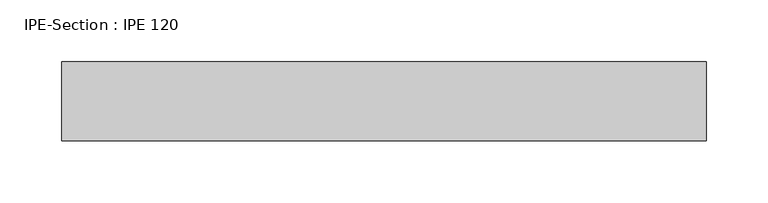
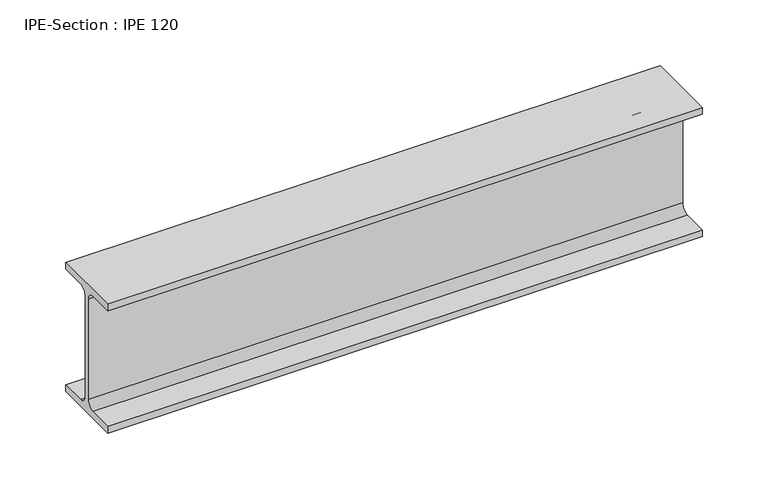
"""IFC4 building model written with IfcOpenShell, lengths in millimetres: beam geometry, IPE-Section : IPE 120."""

from ifc_helpers import new_model, si_unit, point, frame, frame_2d, origin, place, context, project, spatial, polyline, circle_curve, trimmed, segment, composite_curve, outline, extrude, source, transform, mapped, element, save


def ipe_section_ipe_120_96d4826f(model_context):
    return source(origin(), model_context, "Body", "SweptSolid", [
        extrude(outline(composite_curve([segment(polyline([(32.0, -53.7), (32.0, -60.0), (-32.0, -60.0), (-32.0, -53.7), (-9.2, -53.7)]), True, "CONTINUOUS"), segment(trimmed(circle_curve(frame_2d((-9.2, -46.7)), 7.0), [point((-9.2, -53.7))], [point((-2.2, -46.7))], True, "CARTESIAN"), True, "CONTINUOUS"), segment(polyline([(-2.2, -46.7), (-2.2, 46.7)]), True, "CONTINUOUS"), segment(trimmed(circle_curve(frame_2d((-9.2, 46.7)), 7.0), [point((-2.2, 46.7))], [point((-9.2, 53.7))], True, "CARTESIAN"), True, "CONTINUOUS"), segment(polyline([(-9.2, 53.7), (-32.0, 53.7), (-32.0, 60.0), (32.0, 60.0), (32.0, 53.7), (9.2, 53.7)]), True, "CONTINUOUS"), segment(trimmed(circle_curve(frame_2d((9.2, 46.7)), 7.0), [point((9.2, 53.7))], [point((2.2, 46.7))], True, "CARTESIAN"), True, "CONTINUOUS"), segment(polyline([(2.2, 46.7), (2.2, -46.7)]), True, "CONTINUOUS"), segment(trimmed(circle_curve(frame_2d((9.2, -46.7)), 7.0), [point((2.2, -46.7))], [point((9.2, -53.7))], True, "CARTESIAN"), True, "CONTINUOUS"), segment(polyline([(9.2, -53.7), (32.0, -53.7)]), True, "CONTINUOUS")], self_intersect=False)), frame((-223.5200206, 0.0, 0.0), z_axis=(1.0, 0.0, 0.0), x_axis=(0.0, 1.0, 0.0)), (0.0, 0.0, 1.0), 522.0440428),
    ])


if __name__ == "__main__":
    model = new_model("IFC4")
    model_context = context("Model", 3, world=origin())
    ifc_project = project(units=[si_unit("LENGTHUNIT", "METRE", prefix="MILLI")], contexts=[model_context])
    site = spatial("IfcSite", under=ifc_project)
    building = spatial("IfcBuilding", under=site)
    placement = place(None, origin())
    ipe_section_ipe_120_shape = ipe_section_ipe_120_96d4826f(model_context)
    element("IfcBeam", 1, ObjectType="IPE-Section : IPE 120", at=placement, inside=building, context=model_context, shape_type="MappedRepresentation", body=[
        mapped(ipe_section_ipe_120_shape, transform((0.0, 0.0, 0.0), x_axis=(1.0, 0.0, 0.0), y_axis=(0.0, 1.0, 0.0), z_axis=(0.0, 0.0, 1.0))),
    ])
    save(model, "model.ifc")
